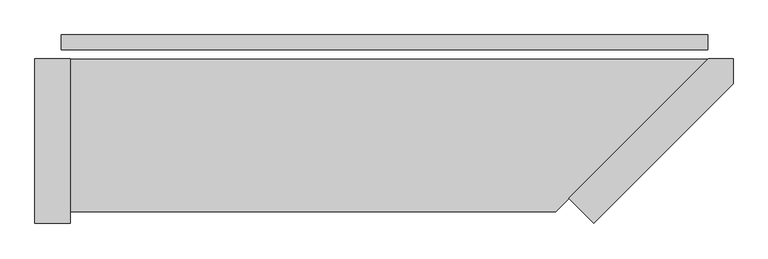
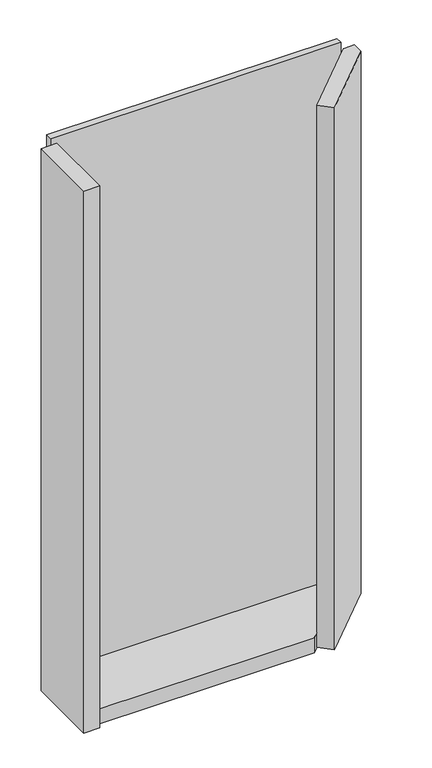
"""IFC4 building model written with IfcOpenShell, lengths in millimetres: plate geometry."""

from ifc_helpers import new_model, si_unit, frame, origin, origin_with_axes, place, context, project, spatial, polyline, outline, extrude, source, transform, mapped, element, save


def plate_0def545d(model_context):
    return source(origin(), model_context, "Body", "SweptSolid", [
        extrude(outline(polyline([(550.5, 0.0), (550.5, -25.0), (-550.5, -25.0), (-550.5, 0.0), (550.5, 0.0)])), origin_with_axes(), (0.0, 0.0, 1.0), 2142.0),
        extrude(outline(polyline([(313.5, -278.5735931), (551.0735931, -41.0), (593.5, -41.0), (593.5, -83.4264069), (355.9264069, -321.0), (313.5, -278.5735931)])), frame((0.0, 0.0, -45.0), z_axis=(0.0, 0.0, 1.0), x_axis=(1.0, 0.0, 0.0)), (0.0, 0.0, 1.0), 2172.0),
        extrude(outline(polyline([(-535.5, -301.0), (-535.5, -41.0), (551.0735931, -41.0), (291.0735931, -301.0), (-535.5, -301.0)])), frame((0.0, 0.0, -45.0), z_axis=(0.0, 0.0, 1.0), x_axis=(1.0, 0.0, 0.0)), (0.0, 0.0, 1.0), 60.0),
        extrude(outline(polyline([(-595.5, -41.0), (-535.5, -41.0), (-535.5, -321.0), (-595.5, -321.0), (-595.5, -41.0)])), frame((0.0, 0.0, -45.0), z_axis=(0.0, 0.0, 1.0), x_axis=(1.0, 0.0, 0.0)), (0.0, 0.0, 1.0), 2172.0),
    ])


if __name__ == "__main__":
    model = new_model("IFC4")
    model_context = context("Model", 3, world=origin())
    ifc_project = project(units=[si_unit("LENGTHUNIT", "METRE", prefix="MILLI")], contexts=[model_context])
    site = spatial("IfcSite", under=ifc_project)
    building = spatial("IfcBuilding", under=site)
    placement = place(None, origin())
    plate_shape = plate_0def545d(model_context)
    element("IfcPlate", 1, at=placement, inside=building, context=model_context, shape_type="MappedRepresentation", body=[
        mapped(plate_shape, transform((0.0, 0.0, 0.0), x_axis=(1.0, 0.0, 0.0), y_axis=(0.0, 1.0, 0.0), z_axis=(0.0, 0.0, 1.0))),
    ])
    save(model, "model.ifc")
